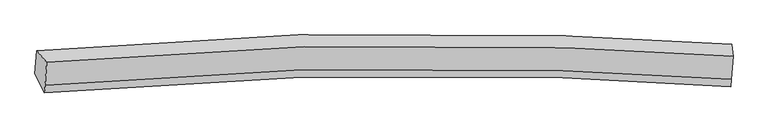
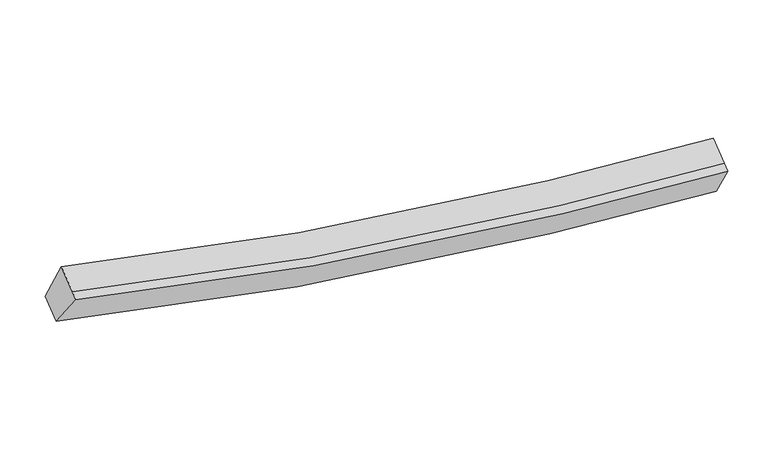
"""IFC4 building model written with IfcOpenShell, lengths in millimetres: proxy geometry."""

from ifc_helpers import new_model, si_unit, frame, origin, place, context, project, spatial, source, transform, mapped, element, save
from ifc_brep_helpers import plane_surface, spline_curve, spline_surface, advanced_brep


def generic_models_04377f51(model_context):
    return source(origin(), model_context, "Body", "AdvancedBrep", [
        advanced_brep(
        [(-6782.2195276, -1833.3009204, 4091.1706291), (-6603.5903966, -2044.1804244, 4728.7353085), (5524.0684944, -1936.7980565, 2932.2884), (5498.4276931, -1723.9798593, 2271.2905056), (-6633.7849186, -2449.9325851, 4498.0354896), (5493.9586463, -2341.4123747, 2702.2355279), (-6643.4682901, -2580.0571461, 4424.0501469), (5484.2752747, -2471.5369357, 2628.2501852), (-6812.8618213, -2245.0702105, 3857.0496314), (5467.8700732, -2134.6113068, 2037.8164548)],
        [
            (0, 1),
            (1, 2, spline_curve(3, [(-6603.5903966, -2044.1804244, 4728.7353085), (-3591.581132012, -1766.671111582, 3835.091459255), (-539.064434304, -1679.012648268, 3274.767579848), (3539.880184176, -1813.779487064, 2975.404774352), (4529.916450453, -1865.643827647, 2936.913018226), (5524.0684944, -1936.7980565, 2932.2884)], [4, 2, 4], [0.0, 30.82389367517598, 40.649199603551864])),
            (2, 3),
            (3, 0, spline_curve(3, [(5498.4276931, -1723.9798593, 2271.2905056), (4497.975039085, -1652.410142822, 2276.009006916), (3500.181706232, -1600.268496865, 2315.028305098), (-616.881050143, -1464.926081663, 2618.367781142), (-3712.636790257, -1553.508081067, 3185.975190748), (-6782.2195276, -1833.3009204, 4091.1706291)], [4, 2, 4], [0.0, 9.825305928375883, 40.649199603551864])),
            (1, 4),
            (4, 5, spline_curve(3, [(-6633.7849186, -2449.9325851, 4498.0354896), (-3621.726026334, -2171.756386422, 3604.770814457), (-569.181105092, -2083.718642415, 3044.662583367), (3509.772510849, -2218.364582991, 2745.368517219), (4499.808777047, -2270.228923646, 2706.876760899), (5493.9586463, -2341.4123747, 2702.2355279)], [4, 2, 4], [0.0, 30.63133024007396, 40.39525538766873])),
            (5, 2),
            (4, 6),
            (6, 7, spline_curve(3, [(-6643.4682901, -2580.0571461, 4424.0501469), (-3631.409398141, -2301.880947333, 3530.785471857), (-578.86447676, -2213.843203252, 2970.677240685), (3500.089139271, -2348.489144043, 2671.383174514), (4490.12540558, -2400.353484573, 2632.891418254), (5484.2752747, -2471.5369357, 2628.2501852)], [4, 2, 4], [0.0, 30.63132845097556, 40.395253028284195])),
            (7, 5),
            (6, 8),
            (8, 9, spline_curve(3, [(-6812.8618213, -2245.0702105, 3857.0496314), (-3743.229456479, -1964.610484534, 2952.233367253), (-647.445491167, -1875.649204484, 2384.84160627), (3469.62626074, -2010.870722292, 2081.570869035), (4467.419593866, -2063.012367938, 2042.551571125), (5467.8700732, -2134.6113068, 2037.8164548)], [4, 2, 4], [0.0, 30.82388999170346, 40.64919474594979])),
            (9, 7),
            (8, 0),
            (3, 9),
        ],
        [
            spline_surface(3, 3, [[(-6782.2195276, -1833.3009204, 4091.1706291), (-3712.636790094, -1553.508080754, 3185.975191067), (-616.881049672, -1464.926081321, 2618.367781199), (3500.181706082, -1600.268496974, 2315.02830508), (4497.975039227, -1652.410142727, 2276.00900707), (5498.4276931, -1723.9798593, 2271.2905056)], [(-6722.676483932, -1903.594088396, 4303.692188922), (-3672.284904023, -1624.562424444, 3402.347280628), (-590.942177969, -1536.288270415, 2837.167714094), (3513.414532137, -1671.438826978, 2535.153794867), (4508.62217635, -1723.488037682, 2496.310344071), (5506.974626867, -1794.91925836, 2491.623137068)], [(-6663.133440268, -1973.887256404, 4516.213748678), (-3631.933017956, -1695.616768147, 3618.719370122), (-565.003306258, -1607.650459487, 3055.967646914), (3526.6473582, -1742.60915696, 2755.279284578), (4519.269313473, -1794.565932657, 2716.611681067), (5515.521560633, -1865.85865744, 2711.955768532)], [(-6603.5903966, -2044.1804244, 4728.7353085), (-3591.581131886, -1766.671111837, 3835.091459683), (-539.064434555, -1679.012648581, 3274.767579809), (3539.880184255, -1813.779486964, 2975.404774364), (4529.916450595, -1865.643827612, 2936.913018068), (5524.0684944, -1936.7980565, 2932.2884)]], [4, 4], [4, 2, 4], [0.0, 2.2763989999133827], [0.0, 30.82389367517598, 40.649199603551864]),
            spline_surface(3, 3, [[(-6603.5903966, -2044.1804244, 4728.7353085), (-3591.581131886, -1766.671111837, 3835.091459683), (-539.064434555, -1679.012648581, 3274.767579809), (3539.880184255, -1813.779486964, 2975.404774364), (4529.916450595, -1865.643827612, 2936.913018068), (5524.0684944, -1936.7980565, 2932.2884)], [(-6613.655237278, -2179.431144637, 4651.835368852), (-3601.6294302, -1901.699536804, 3758.317911176), (-549.103324661, -1813.914646604, 3198.065914279), (3529.844293074, -1948.641185619, 2898.726021976), (4519.880559414, -2000.505526267, 2860.23426568), (5514.03187835, -2071.669495904, 2855.604109283)], [(-6623.720077922, -2314.681864863, 4574.935429248), (-3611.677728482, -2036.727961759, 3681.544362713), (-559.142214716, -1948.816644616, 3121.3642488), (3519.808401944, -2083.502884264, 2822.047269638), (4509.844668284, -2135.367224912, 2783.555513342), (5503.99526235, -2206.540935296, 2778.919818617)], [(-6633.7849186, -2449.9325851, 4498.0354896), (-3621.726026797, -2171.756386726, 3604.770814206), (-569.181104822, -2083.718642639, 3044.66258327), (3509.772510763, -2218.36458292, 2745.36851725), (4499.808777103, -2270.228923567, 2706.876760954), (5493.9586463, -2341.4123747, 2702.2355279)]], [4, 4], [4, 2, 4], [0.0, 1.5309683712250317], [0.0, 30.63133024007396, 40.39525538766873]),
            spline_surface(3, 3, [[(-6633.7849186, -2449.9325851, 4498.0354896), (-3621.726026797, -2171.756386726, 3604.770814206), (-569.181104822, -2083.718642639, 3044.66258327), (3509.772510763, -2218.36458292, 2745.36851725), (4499.808777103, -2270.228923567, 2706.876760954), (5493.9586463, -2341.4123747, 2702.2355279)], [(-6637.012709113, -2493.307438772, 4473.373708696), (-3624.95381731, -2215.131240398, 3580.109033302), (-572.408895334, -2127.093496311, 3020.000802366), (3506.54472025, -2261.739436591, 2720.706736346), (4496.58098659, -2313.603777239, 2682.21498005), (5490.730855787, -2384.787228372, 2677.573746996)], [(-6640.240499587, -2536.682292428, 4448.711927804), (-3628.181607785, -2258.506094055, 3555.44725241), (-575.636685909, -2170.468349967, 2995.339021474), (3503.316929676, -2305.114290248, 2696.044955454), (4493.353196016, -2356.978630896, 2657.553199158), (5487.503065213, -2428.162082028, 2652.911966104)], [(-6643.4682901, -2580.0571461, 4424.0501469), (-3631.409398297, -2301.880947726, 3530.785471506), (-578.864476422, -2213.843203639, 2970.67724057), (3500.089139163, -2348.48914392, 2671.38317455), (4490.125405503, -2400.353484567, 2632.891418254), (5484.2752747, -2471.5369357, 2628.2501852)]], [4, 4], [4, 2, 4], [0.0, 0.4921259842519715], [0.0, 30.63132845097556, 40.395253028284195]),
            spline_surface(3, 3, [[(-6643.4682901, -2580.0571461, 4424.0501469), (-3631.409398297, -2301.880947726, 3530.785471506), (-578.864476422, -2213.843203639, 2970.67724057), (3500.089139163, -2348.48914392, 2671.38317455), (4490.125405503, -2400.353484567, 2632.891418254), (5484.2752747, -2471.5369357, 2628.2501852)], [(-6699.932800496, -2468.394834206, 4235.049975085), (-3668.682751096, -2189.457460138, 3337.934769953), (-601.724814852, -2101.111870647, 2775.398695683), (3489.93484638, -2235.949670018, 2474.779072772), (4482.556801652, -2287.906445715, 2436.111469261), (5478.806874205, -2359.228392742, 2431.438941739)], [(-6756.397310904, -2356.732522394, 4046.049803215), (-3705.956103907, -2077.033972632, 3145.084068344), (-624.585153207, -1988.380537671, 2580.120150747), (3479.780553673, -2123.410196132, 2278.174970945), (4474.988197785, -2175.459406836, 2239.331520249), (5473.338473695, -2246.919849758, 2234.627698261)], [(-6812.8618213, -2245.0702105, 3857.0496314), (-3743.229456706, -1964.610485044, 2952.233366791), (-647.445491638, -1875.649204678, 2384.84160586), (3469.62626089, -2010.87072223, 2081.570869166), (4467.419593935, -2063.012367983, 2042.551571256), (5467.8700732, -2134.6113068, 2037.8164548)]], [4, 4], [4, 2, 4], [0.0, 2.227483947907807], [0.0, 30.82388999170346, 40.64919474594979]),
            spline_surface(3, 3, [[(-6812.8618213, -2245.0702105, 3857.0496314), (-3743.229456706, -1964.610485044, 2952.233366791), (-647.445491638, -1875.649204678, 2384.84160586), (3469.62626089, -2010.87072223, 2081.570869166), (4467.419593935, -2063.012367983, 2042.551571256), (5467.8700732, -2134.6113068, 2037.8164548)], [(-6802.647723381, -2107.813780489, 3935.089963944), (-3733.03190115, -1827.576350303, 3030.147308193), (-637.257344291, -1738.741496882, 2462.683664286), (3479.811409312, -1874.003313801, 2159.39001445), (4477.604742357, -1926.144959554, 2120.370716541), (5478.055946491, -1997.734157623, 2115.641138413)], [(-6792.433625519, -1970.557350411, 4013.130296556), (-3722.83434565, -1690.542215495, 3108.061249664), (-627.069197018, -1601.833789117, 2540.525722773), (3489.99655766, -1737.135905404, 2237.209159796), (4487.789890805, -1789.277551157, 2198.189861786), (5488.241819809, -1860.857008477, 2193.465821987)], [(-6782.2195276, -1833.3009204, 4091.1706291), (-3712.636790094, -1553.508080754, 3185.975191067), (-616.881049672, -1464.926081321, 2618.367781199), (3500.181706082, -1600.268496974, 2315.02830508), (4497.975039227, -1652.410142727, 2276.00900707), (5498.4276931, -1723.9798593, 2271.2905056)]], [4, 4], [4, 2, 4], [0.0, 1.5537249182319537], [0.0, 31.01645649500203, 40.90314300803602]),
            plane_surface(frame((5493.6603839, -2066.7315396, 2467.4113864), z_axis=(0.9976224323062933, -0.044153379666166205, -0.05291466359460821), x_axis=(-0.024125296300262868, 0.4954788659908967, -0.8682848976198996))),
            plane_surface(frame((-6710.5350089, -2175.6521754, 4275.251429), z_axis=(-0.9663217294913796, -0.06904080200699493, 0.2479025670924367), x_axis=(-0.06455581025515504, -0.8674970734362255, -0.49323561807911287))),
        ],
        [
            (0, [[1, 2, 3, 4]]),
            (1, [[5, 6, 7, -2]]),
            (2, [[8, 9, 10, -6]]),
            (3, [[11, 12, 13, -9]]),
            (4, [[14, -4, 15, -12]]),
            (5, [[-13, -15, -3, -7, -10]]),
            (6, [[-14, -11, -8, -5, -1]]),
        ],
    ),
    ])


if __name__ == "__main__":
    model = new_model("IFC4")
    model_context = context("Model", 3, world=origin())
    ifc_project = project(units=[si_unit("LENGTHUNIT", "METRE", prefix="MILLI")], contexts=[model_context])
    site = spatial("IfcSite", under=ifc_project)
    building = spatial("IfcBuilding", under=site)
    placement = place(None, origin())
    generic_models_shape = generic_models_04377f51(model_context)
    element("IfcBuildingElementProxy", 1, Name="Generic Models", at=placement, inside=building, context=model_context, shape_type="MappedRepresentation", body=[
        mapped(generic_models_shape, transform((0.0, 0.0, 0.0), x_axis=(1.0, 0.0, 0.0), y_axis=(0.0, 1.0, 0.0), z_axis=(0.0, 0.0, 1.0))),
    ])
    save(model, "model.ifc")
